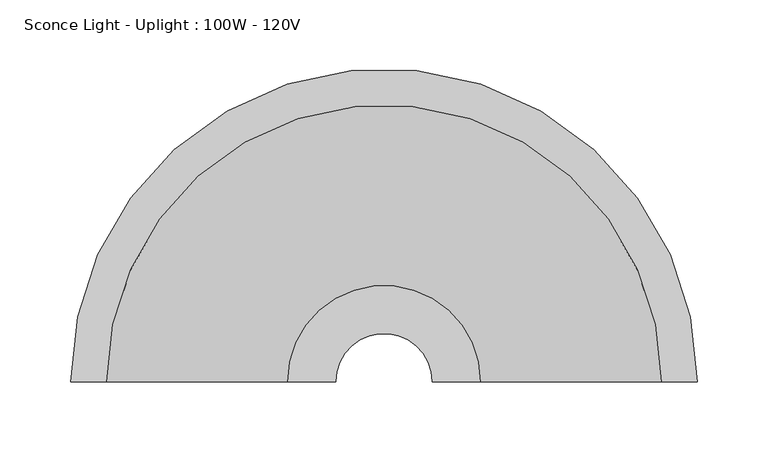
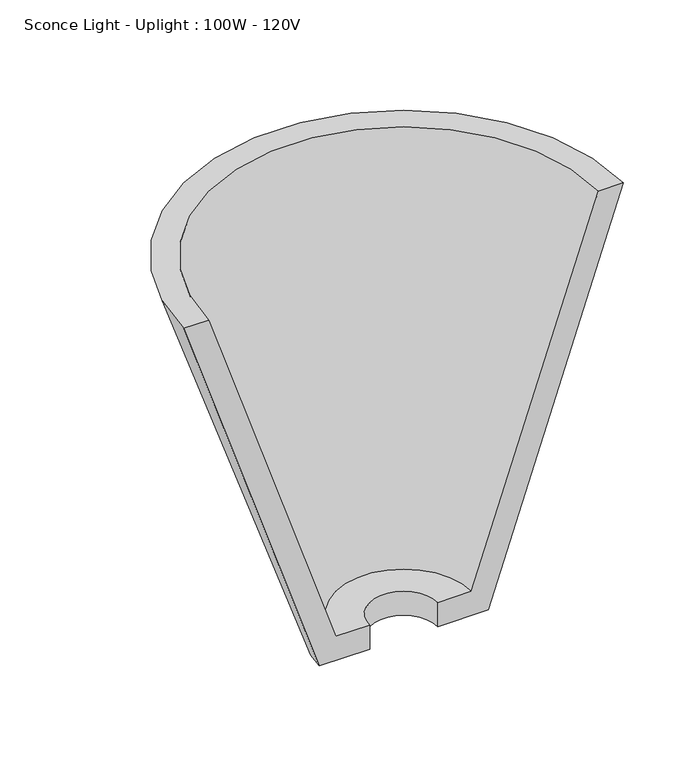
"""IFC4 building model written with IfcOpenShell, lengths in millimetres: light fixture geometry, Sconce Light - Uplight : 100W - 120V."""

from ifc_helpers import new_model, si_unit, frame, origin, place, context, project, spatial, polyline, circle_curve, source, transform, mapped, element, save
from ifc_brep_helpers import plane_surface, revolved_surface, advanced_brep


def sconce_light_uplight_100w_120v_51456745(model_context):
    return source(origin(), model_context, "Body", "AdvancedBrep", [
        advanced_brep(
        [(-221.2056669, 92.075, 2133.6), (-85.0253975, 92.075, 1727.2), (-34.2253975, 92.075, 1727.2), (-34.2253975, 92.075, 1752.6), (-68.1366644, 92.075, 1752.6), (-195.8056669, 92.075, 2133.6), (221.2056669, 92.075, 2133.6), (195.8056669, 92.075, 2133.6), (68.1366644, 92.075, 1752.6), (34.2253975, 92.075, 1752.6), (34.2253975, 92.075, 1727.2), (85.0253975, 92.075, 1727.2)],
        [
            (0, 1),
            (1, 2),
            (2, 3),
            (3, 4),
            (4, 5),
            (5, 0),
            (6, 7),
            (7, 8),
            (8, 9),
            (9, 10),
            (10, 11),
            (11, 6),
            (11, 1, circle_curve(frame((0.0, 92.075, 1727.2), z_axis=(0.0, 0.0, 1.0), x_axis=(-1.0, 0.0, 0.0)), 85.0253975)),
            (0, 6, circle_curve(frame((0.0, 92.075, 2133.6), z_axis=(0.0, 0.0, -1.0), x_axis=(-1.0, 0.0, 0.0)), 221.2056669)),
            (10, 2, circle_curve(frame((0.0, 92.075, 1727.2), z_axis=(0.0, 0.0, 1.0), x_axis=(-1.0, 0.0, 0.0)), 34.2253975)),
            (9, 3, circle_curve(frame((0.0, 92.075, 1752.6), z_axis=(0.0, 0.0, 1.0), x_axis=(-1.0, 0.0, 0.0)), 34.2253975)),
            (8, 4, circle_curve(frame((0.0, 92.075, 1752.6), z_axis=(0.0, 0.0, 1.0), x_axis=(-1.0, 0.0, 0.0)), 68.1366644)),
            (7, 5, circle_curve(frame((0.0, 92.075, 2133.6), z_axis=(0.0, 0.0, 1.0), x_axis=(-1.0, 0.0, 0.0)), 195.8056669)),
        ],
        [
            plane_surface(frame((0.0, 92.075, 1967.174367), z_axis=(0.0, -1.0, 0.0), x_axis=(-1.0, 0.0, 0.0))),
            plane_surface(frame((0.0, 92.075, 1967.174367), z_axis=(0.0, -1.0, 0.0), x_axis=(1.0, 0.0, 0.0))),
            revolved_surface(polyline([(-221.2056669, 92.075, 2133.6), (-85.0253975, 92.075, 1727.2)]), (0.0, 92.075, 1967.174367), (0.0, 0.0, -1.0)),
            plane_surface(frame((0.0, 92.075, 1727.2), z_axis=(0.0, 0.0, -1.0), x_axis=(-1.0, 0.0, 0.0))),
            revolved_surface(polyline([(-34.2253975, 92.075, 1727.2), (-34.2253975, 92.075, 1752.6)]), (0.0, 92.075, 1967.174367), (0.0, 0.0, -1.0)),
            plane_surface(frame((0.0, 92.075, 1752.6), z_axis=(0.0, 0.0, 1.0), x_axis=(-1.0, 0.0, 0.0))),
            revolved_surface(polyline([(-68.1366644, 92.075, 1752.6), (-195.8056669, 92.075, 2133.6)]), (0.0, 92.075, 1967.174367), (0.0, 0.0, -1.0)),
            plane_surface(frame((0.0, 92.075, 2133.6), z_axis=(0.0, 0.0, 1.0), x_axis=(-1.0, 0.0, 0.0))),
        ],
        [
            (0, [[1, 2, 3, 4, 5, 6]]),
            (1, [[7, 8, 9, 10, 11, 12]]),
            (2, [[13, -1, 14, -12]]),
            (3, [[15, -2, -13, -11]]),
            (4, [[16, -3, -15, -10]]),
            (5, [[17, -4, -16, -9]]),
            (6, [[18, -5, -17, -8]]),
            (7, [[-14, -6, -18, -7]]),
        ],
    ),
    ])


if __name__ == "__main__":
    model = new_model("IFC4")
    model_context = context("Model", 3, world=origin())
    ifc_project = project(units=[si_unit("LENGTHUNIT", "METRE", prefix="MILLI")], contexts=[model_context])
    site = spatial("IfcSite", under=ifc_project)
    building = spatial("IfcBuilding", under=site)
    placement = place(None, origin())
    sconce_light_uplight_100w_120v_shape = sconce_light_uplight_100w_120v_51456745(model_context)
    element("IfcLightFixture", 1, ObjectType="Sconce Light - Uplight : 100W - 120V", at=placement, inside=building, context=model_context, shape_type="MappedRepresentation", body=[
        mapped(sconce_light_uplight_100w_120v_shape, transform((0.0, 0.0, 0.0), x_axis=(1.0, 0.0, 0.0), y_axis=(0.0, 1.0, 0.0), z_axis=(0.0, 0.0, 1.0))),
    ])
    save(model, "model.ifc")
